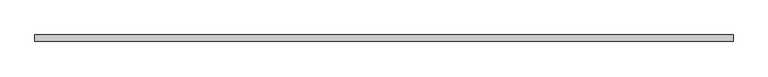
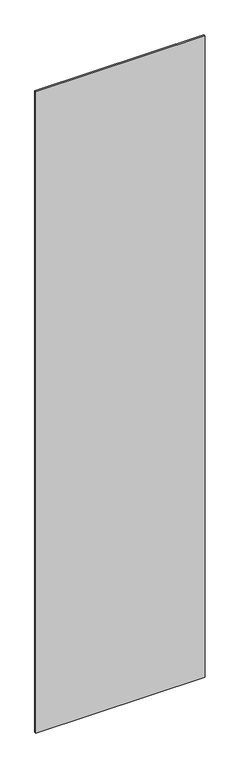
"""IFC4 building model written with IfcOpenShell, lengths in millimetres: plate geometry."""

from ifc_helpers import new_model, si_unit, origin, origin_with_axes, place, context, project, spatial, polyline, outline, extrude, source, transform, mapped, element, save


def plate_3e63c9b3(model_context):
    return source(origin(), model_context, "Body", "SweptSolid", [
        extrude(outline(polyline([(544.375, -5.0), (-544.375, -5.0), (-544.375, 5.0), (544.375, 5.0), (544.375, -5.0)])), origin_with_axes(), (0.0, 0.0, 1.0), 4360.0),
    ])


if __name__ == "__main__":
    model = new_model("IFC4")
    model_context = context("Model", 3, world=origin())
    ifc_project = project(units=[si_unit("LENGTHUNIT", "METRE", prefix="MILLI")], contexts=[model_context])
    site = spatial("IfcSite", under=ifc_project)
    building = spatial("IfcBuilding", under=site)
    placement = place(None, origin())
    plate_shape = plate_3e63c9b3(model_context)
    element("IfcPlate", 1, at=placement, inside=building, context=model_context, shape_type="MappedRepresentation", body=[
        mapped(plate_shape, transform((0.0, 0.0, 0.0), x_axis=(1.0, 0.0, 0.0), y_axis=(0.0, 1.0, 0.0), z_axis=(0.0, 0.0, 1.0))),
    ])
    save(model, "model.ifc")
